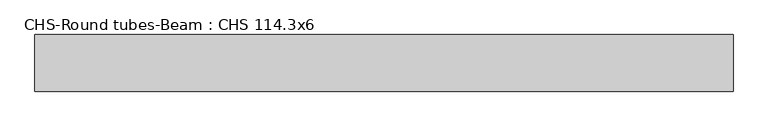
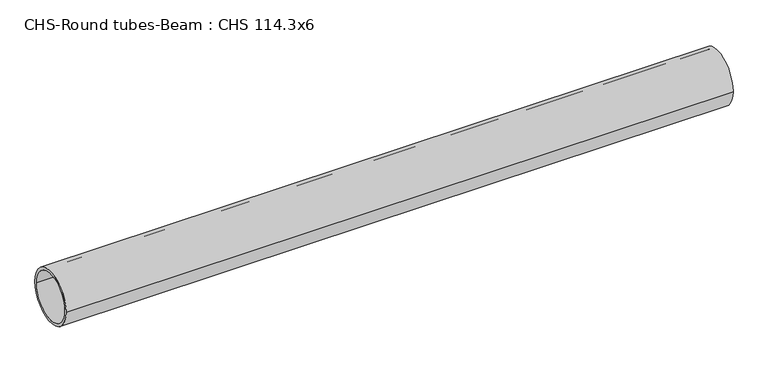
"""IFC4 building model written with IfcOpenShell, lengths in millimetres: beam geometry, CHS-Round tubes-Beam : CHS 114.3x6."""

from ifc_helpers import new_model, si_unit, point, frame, origin, origin_2d, place, context, project, spatial, circle_curve, trimmed, segment, composite_curve, outline, extrude, source, transform, mapped, element, save


def chs_round_tubes_beam_chs_114_3x6_0a733173(model_context):
    return source(origin(), model_context, "Body", "SweptSolid", [
        extrude(outline(composite_curve([segment(trimmed(circle_curve(origin_2d(), 57.15), [point((57.15, 0.0))], [point((-57.15, 0.0))], False, "CARTESIAN"), True, "CONTINUOUS"), segment(trimmed(circle_curve(origin_2d(), 57.15), [point((-57.15, 0.0))], [point((57.15, 0.0))], False, "CARTESIAN"), True, "CONTINUOUS")], self_intersect=False), holes=[composite_curve([segment(trimmed(circle_curve(origin_2d(), 51.15), [point((51.15, 0.0))], [point((-51.15, 0.0))], True, "CARTESIAN"), True, "CONTINUOUS"), segment(trimmed(circle_curve(origin_2d(), 51.15), [point((-51.15, 0.0))], [point((51.15, 0.0))], True, "CARTESIAN"), True, "CONTINUOUS")], self_intersect=False)]), frame((-702.7334388, 0.0, 0.0), z_axis=(1.0, 0.0, 0.0), x_axis=(0.0, 1.0, 0.0)), (0.0, 0.0, 1.0), 1409.757233),
    ])


if __name__ == "__main__":
    model = new_model("IFC4")
    model_context = context("Model", 3, world=origin())
    ifc_project = project(units=[si_unit("LENGTHUNIT", "METRE", prefix="MILLI")], contexts=[model_context])
    site = spatial("IfcSite", under=ifc_project)
    building = spatial("IfcBuilding", under=site)
    placement = place(None, origin())
    chs_round_tubes_beam_chs_114_3x6_shape = chs_round_tubes_beam_chs_114_3x6_0a733173(model_context)
    element("IfcBeam", 1, ObjectType="CHS-Round tubes-Beam : CHS 114.3x6", at=placement, inside=building, context=model_context, shape_type="MappedRepresentation", body=[
        mapped(chs_round_tubes_beam_chs_114_3x6_shape, transform((0.0, 0.0, 0.0), x_axis=(1.0, 0.0, 0.0), y_axis=(0.0, 1.0, 0.0), z_axis=(0.0, 0.0, 1.0))),
    ])
    save(model, "model.ifc")
